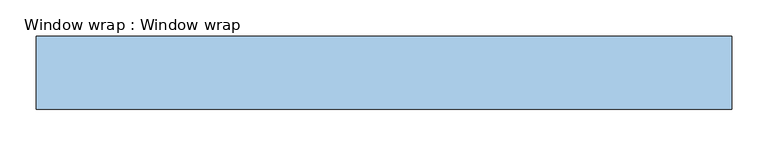
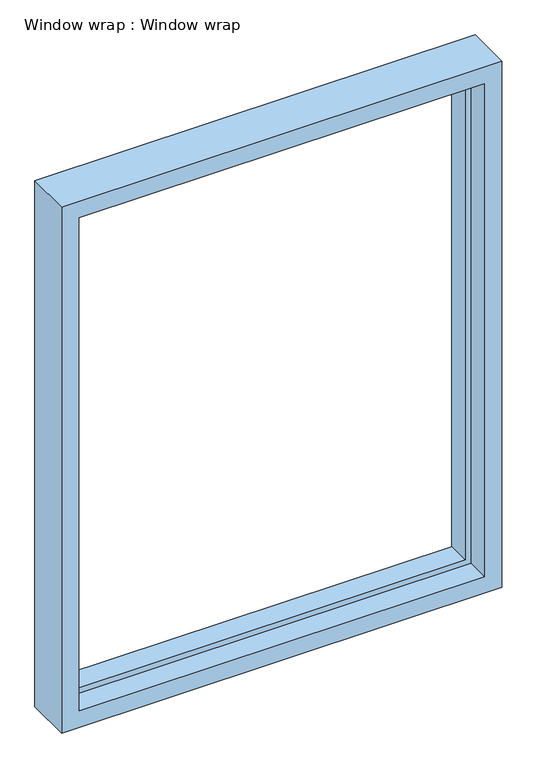
"""IFC4 building model written with IfcOpenShell, lengths in millimetres: window geometry, Window wrap : Window wrap."""

from ifc_helpers import new_model, si_unit, origin, place, context, project, spatial, faceted_brep, source, transform, mapped, element, save


def window_wrap_window_wrap_622b1575(model_context):
    return source(origin(), model_context, "Body", "Brep", [
        faceted_brep([(444.5, 76.2, 2095.5), (444.5, 76.2, 952.5), (444.5, 25.4, 952.5), (444.5, 25.4, 2095.5), (431.8, 127.0, 2082.8), (431.8, 127.0, 965.2), (431.8, 76.2, 965.2), (431.8, 76.2, 2082.8), (482.6, 25.4, 2133.6), (482.6, 25.4, 914.4), (482.6, 127.0, 914.4), (482.6, 127.0, 2133.6), (-444.5, 76.2, 952.5), (-444.5, 25.4, 952.5), (-431.8, 127.0, 965.2), (-431.8, 76.2, 965.2), (-482.6, 25.4, 914.4), (-482.6, 127.0, 914.4), (-444.5, 76.2, 2095.5), (-444.5, 25.4, 2095.5), (-431.8, 127.0, 2082.8), (-431.8, 76.2, 2082.8), (-482.6, 25.4, 2133.6), (-482.6, 127.0, 2133.6)], [[[0, 1, 2, 3]], [[4, 5, 6, 7]], [[8, 9, 10, 11]], [[1, 12, 13, 2]], [[5, 14, 15, 6]], [[9, 16, 17, 10]], [[12, 18, 19, 13]], [[14, 20, 21, 15]], [[16, 22, 23, 17]], [[9, 8, 22, 16], [3, 2, 13, 19]], [[18, 0, 3, 19]], [[1, 0, 18, 12], [7, 6, 15, 21]], [[20, 4, 7, 21]], [[11, 10, 17, 23], [5, 4, 20, 14]], [[22, 8, 11, 23]]]),
    ])


if __name__ == "__main__":
    model = new_model("IFC4")
    model_context = context("Model", 3, world=origin())
    ifc_project = project(units=[si_unit("LENGTHUNIT", "METRE", prefix="MILLI")], contexts=[model_context])
    site = spatial("IfcSite", under=ifc_project)
    building = spatial("IfcBuilding", under=site)
    placement = place(None, origin())
    window_wrap_window_wrap_shape = window_wrap_window_wrap_622b1575(model_context)
    element("IfcWindow", 1, ObjectType="Window wrap : Window wrap", at=placement, inside=building, context=model_context, shape_type="MappedRepresentation", body=[
        mapped(window_wrap_window_wrap_shape, transform((0.0, 0.0, 0.0), x_axis=(1.0, 0.0, 0.0), y_axis=(0.0, 1.0, 0.0), z_axis=(0.0, 0.0, 1.0))),
    ])
    save(model, "model.ifc")
